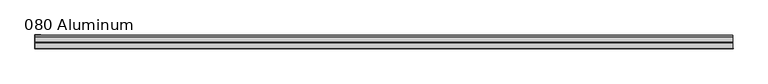
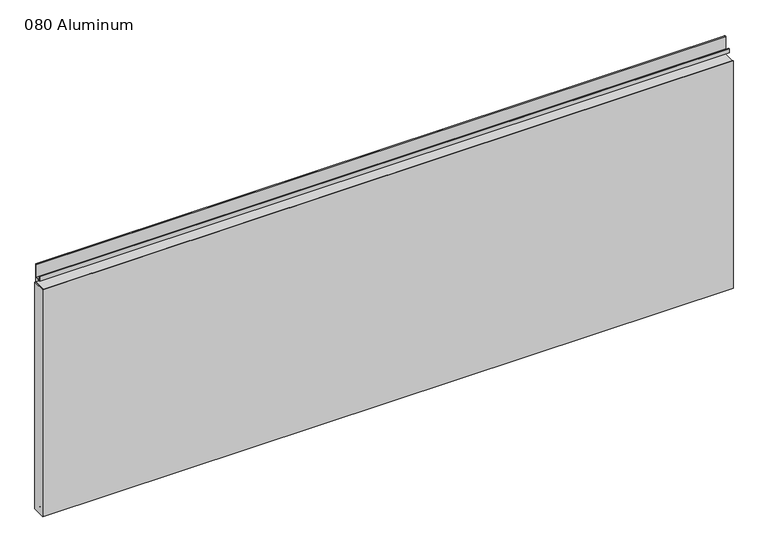
"""IFC4 building model written with IfcOpenShell, lengths in millimetres: plate geometry, 080 Aluminum."""

import ifcopenshell
import ifcopenshell.guid

model = None  # the IFC model being written
_history = None  # IfcOwnerHistory: only IFC2X3 demands one
_inside = {}  # id of a spatial element -> (the spatial element, [elements in it])
_under = {}  # id of a project, library or spatial element -> (it, [spatial elements below it])
_declared = {}  # id of a project -> (the project, [libraries it declares])
_typed = {}  # id of a type object -> (the type object, [elements of that type])
_made_of = {}  # id of a material, layer set ... -> (it, [elements and type objects made of it])


def new_model(schema):
    """Start an empty IFC model of exactly this schema.

    Asked for "IFC4X3", IfcOpenShell would pick the latest addendum, in which some entities
    have other attributes; the version numbers below select the first issue.
    IFC2X3 requires an IfcOwnerHistory on every rooted entity: one is made here for all.
    """
    global model, _history
    if schema == "IFC4X3":
        model = ifcopenshell.file(schema_version=(4, 3, 0, 0))
    else:
        model = ifcopenshell.file(schema=schema)
    _inside.clear()
    _under.clear()
    _declared.clear()
    _typed.clear()
    _made_of.clear()
    _history = None
    if model.schema == "IFC2X3":
        org = make("IfcOrganization", Name="unknown")
        user = make(
            "IfcPersonAndOrganization",
            ThePerson=make("IfcPerson", FamilyName="unknown"),
            TheOrganization=org,
        )
        app = make(
            "IfcApplication",
            ApplicationDeveloper=org,
            Version="unknown",
            ApplicationFullName="unknown",
            ApplicationIdentifier="unknown",
        )
        _history = make(
            "IfcOwnerHistory",
            OwningUser=user,
            OwningApplication=app,
            ChangeAction="ADDED",
            CreationDate=0,
        )
    return model


def make(cls, **values):
    """One entity of the class cls with the attributes given. An attribute that is None is left unset."""
    return model.create_entity(
        cls, **{name: value for name, value in values.items() if value is not None}
    )


def rooted(cls, **values):
    """An entity with a GlobalId (a new one), such as an element, a storey or a relation."""
    return make(cls, GlobalId=ifcopenshell.guid.new(), OwnerHistory=_history, **values)


def si_unit(unit_type, name, prefix=None):
    """IfcSIUnit, for example si_unit("LENGTHUNIT", "METRE", prefix="MILLI")."""
    return make("IfcSIUnit", UnitType=unit_type, Prefix=prefix, Name=name)


def assignment(units):
    """IfcUnitAssignment: the units of a project."""
    return None if units is None else make("IfcUnitAssignment", Units=units)


def point(xyz):
    """IfcCartesianPoint."""
    return None if xyz is None else make("IfcCartesianPoint", Coordinates=xyz)


def direction(xyz):
    """IfcDirection."""
    return None if xyz is None else make("IfcDirection", DirectionRatios=xyz)


def frame(location, z_axis=None, x_axis=None):
    """IfcAxis2Placement3D, a coordinate frame: its origin and axes. An axis left out is left unset."""
    return make(
        "IfcAxis2Placement3D",
        Location=point(location),
        Axis=direction(z_axis),
        RefDirection=direction(x_axis),
    )


def frame_2d(location, x_axis=None):
    """IfcAxis2Placement2D, a coordinate frame in the plane: its origin and x axis."""
    return make(
        "IfcAxis2Placement2D", Location=point(location), RefDirection=direction(x_axis)
    )


def origin():
    """The frame at (0, 0, 0) with its axes left unset."""
    return frame((0.0, 0.0, 0.0))


def origin_with_axes():
    """The frame at (0, 0, 0) with the z axis (0, 0, 1) and the x axis (1, 0, 0) written out."""
    return frame((0.0, 0.0, 0.0), z_axis=(0.0, 0.0, 1.0), x_axis=(1.0, 0.0, 0.0))


def place(relative_to, where):
    """IfcLocalPlacement: puts the frame where relative to a parent placement (None: the world)."""
    return make(
        "IfcLocalPlacement", PlacementRelTo=relative_to, RelativePlacement=where
    )


def context(
    kind, dimensions, precision=None, world=None, true_north=None, identifier=None
):
    """IfcGeometricRepresentationContext, for example the 3D "Model" context."""
    return make(
        "IfcGeometricRepresentationContext",
        ContextIdentifier=identifier,
        ContextType=kind,
        CoordinateSpaceDimension=dimensions,
        Precision=precision,
        WorldCoordinateSystem=world,
        TrueNorth=true_north,
    )


def project(units=None, contexts=None):
    """IfcProject with its units and contexts."""
    return rooted(
        "IfcProject",
        Name="project",
        RepresentationContexts=contexts,
        UnitsInContext=assignment(units),
    )


def spatial(cls, under=None, at=None, **own):
    """A site, building, storey or space (cls), placed at a placement, below another one or the project."""
    s = rooted(cls, ObjectPlacement=at, **own)
    if under is not None:
        _under.setdefault(under.id(), (under, []))[1].append(s)
    return s


def polyline(points):
    """IfcPolyline through the points."""
    return make("IfcPolyline", Points=[point(p) for p in points])


def circle_curve(where, radius):
    """IfcCircle in the frame where."""
    return make("IfcCircle", Position=where, Radius=radius)


def trimmed(basis, trim1, trim2, sense, master):
    """IfcTrimmedCurve: the piece of a basis curve between two trims."""
    return make(
        "IfcTrimmedCurve",
        BasisCurve=basis,
        Trim1=trim1,
        Trim2=trim2,
        SenseAgreement=sense,
        MasterRepresentation=master,
    )


def segment(curve, same_sense, transition):
    """IfcCompositeCurveSegment."""
    return make(
        "IfcCompositeCurveSegment",
        Transition=transition,
        SameSense=same_sense,
        ParentCurve=curve,
    )


def composite_curve(segments, self_intersect=None):
    """IfcCompositeCurve: segments joined end to end."""
    return make("IfcCompositeCurve", Segments=segments, SelfIntersect=self_intersect)


def outline(outer, holes=None, kind="AREA"):
    """IfcArbitraryClosedProfileDef: a profile drawn as a closed curve; with holes, ...WithVoids."""
    if holes is None:
        return make("IfcArbitraryClosedProfileDef", ProfileType=kind, OuterCurve=outer)
    return make(
        "IfcArbitraryProfileDefWithVoids",
        ProfileType=kind,
        OuterCurve=outer,
        InnerCurves=holes,
    )


def extrude(swept, where, along, depth):
    """IfcExtrudedAreaSolid: the profile swept, set in the frame where, extruded along a direction by depth."""
    return make(
        "IfcExtrudedAreaSolid",
        SweptArea=swept,
        Position=where,
        ExtrudedDirection=direction(along),
        Depth=depth,
    )


def shape(context_of_items, identifier, shape_type, items):
    """IfcShapeRepresentation: the items that make up one representation, for example the "Body"."""
    return make(
        "IfcShapeRepresentation",
        ContextOfItems=context_of_items,
        RepresentationIdentifier=identifier,
        RepresentationType=shape_type,
        Items=items,
    )


def source(mapping_origin, context_of_items, identifier, shape_type, items):
    """IfcRepresentationMap: a shape defined once, which mapped items show again and again."""
    return make(
        "IfcRepresentationMap",
        MappingOrigin=mapping_origin,
        MappedRepresentation=shape(context_of_items, identifier, shape_type, items),
    )


def transform(
    local_origin,
    x_axis=None,
    y_axis=None,
    z_axis=None,
    scale=None,
    scale2=None,
    scale3=None,
    uniform=True,
):
    """IfcCartesianTransformationOperator3D, or its non-uniform kind. x_axis, y_axis, z_axis: its Axis1, 2, 3."""
    if uniform:
        return make(
            "IfcCartesianTransformationOperator3D",
            Axis1=direction(x_axis),
            Axis2=direction(y_axis),
            LocalOrigin=point(local_origin),
            Scale=scale,
            Axis3=direction(z_axis),
        )
    return make(
        "IfcCartesianTransformationOperator3DnonUniform",
        Axis1=direction(x_axis),
        Axis2=direction(y_axis),
        LocalOrigin=point(local_origin),
        Scale=scale,
        Axis3=direction(z_axis),
        Scale2=scale2,
        Scale3=scale3,
    )


def mapped(mapping_source, mapping_target):
    """IfcMappedItem: shows the shape of a source again, moved by a transform."""
    return make(
        "IfcMappedItem", MappingSource=mapping_source, MappingTarget=mapping_target
    )


def made_of(thing, what):
    """Note that an element or type object is made of a material, layer set ...; save() writes the relation."""
    if what is not None:
        _made_of.setdefault(what.id(), (what, []))[1].append(thing)
    return thing


def element(
    cls,
    number,
    at=None,
    inside=None,
    cuts=None,
    type_object=None,
    material=None,
    context=None,
    identifier="Body",
    shape_type=None,
    held_by="IfcProductDefinitionShape",
    body=None,
    shapes=None,
    **own,
):
    """One element of the class cls, such as IfcWall. Its Tag is "e" and its number.

    at: its placement. inside: the storey or other place that contains it. cuts: it is an
    opening in that element (IfcRelVoidsElement). A single representation is given by context,
    identifier, shape_type and body (its items); several are given by shapes. held_by: the class
    of the entity that holds the representations. save() writes the other relations.
    """
    e = rooted(cls, Tag="e%d" % number, ObjectPlacement=at, **own)
    if body is not None:
        shapes = [shape(context, identifier, shape_type, body)]
    if shapes is not None:
        e.Representation = make(held_by, Representations=shapes)
    if inside is not None:
        _inside.setdefault(inside.id(), (inside, []))[1].append(e)
    if cuts is not None:
        rooted(
            "IfcRelVoidsElement", RelatingBuildingElement=cuts, RelatedOpeningElement=e
        )
    if type_object is not None:
        _typed.setdefault(type_object.id(), (type_object, []))[1].append(e)
    return made_of(e, material)


def aggregate(whole, parts):
    """IfcRelAggregates: a whole, such as a stair, and the parts it consists of."""
    return rooted("IfcRelAggregates", RelatingObject=whole, RelatedObjects=parts)


def save(model, path):
    """Write the relations noted so far, then the file.

    IfcRelAggregates (storeys below a building ...), IfcRelContainedInSpatialStructure (elements
    in a storey), IfcRelDefinesByType, IfcRelAssociatesMaterial and IfcRelDeclares: one each for
    every whole, place, type object, material and project.
    """
    for whole, parts in _under.values():
        aggregate(whole, parts)
    for where, things in _inside.values():
        rooted(
            "IfcRelContainedInSpatialStructure",
            RelatedElements=things,
            RelatingStructure=where,
        )
    for kind, things in _typed.values():
        rooted("IfcRelDefinesByType", RelatedObjects=things, RelatingType=kind)
    for what, things in _made_of.values():
        rooted("IfcRelAssociatesMaterial", RelatedObjects=things, RelatingMaterial=what)
    for by, libraries in _declared.values():
        rooted("IfcRelDeclares", RelatingContext=by, RelatedDefinitions=libraries)
    model.write(path)


def plate_080_aluminum_6d5dd634(model_context):
    return source(origin(), model_context, "Body", "SweptSolid", [
        extrude(outline(polyline([(-874.4282742, -2.5660257), (-874.4282742, -34.7980001), (-875.6982741, -34.7980001), (-875.6982741, -1.2699999), (-861.5377736, -1.2699999), (-861.5377736, -2.5660257), (-874.4282742, -2.5660257)])), origin_with_axes(), (0.0, 0.0, 1.0), 608.33),
        extrude(outline(composite_curve([segment(polyline([(-16.6765477, 13.1458337), (-16.6765477, 2.786437), (-17.9464915, 2.786437), (-17.9464915, 13.1323356)]), True, "CONTINUOUS"), segment(trimmed(circle_curve(frame_2d((-19.8514743, 13.124237)), 1.905), [point((-17.9464915, 13.1323356))], [point((-21.7564743, 13.124237))], True, "CARTESIAN"), True, "CONTINUOUS"), segment(polyline([(-21.7564743, 13.124237), (-21.7564743, 0.0), (-34.7980002, 0.0), (-34.7980002, 1.2693678), (-23.0264743, 1.2693678), (-23.0264743, 13.124237)]), True, "CONTINUOUS"), segment(trimmed(circle_curve(frame_2d((-19.8514743, 13.124237)), 3.175), [point((-23.0264743, 13.124237))], [point((-16.6765477, 13.1458337))], False, "CARTESIAN"), True, "CONTINUOUS")], self_intersect=False)), frame((-874.4282742, 0.0, 0.0), z_axis=(1.0, 0.0, 0.0), x_axis=(0.0, 1.0, 0.0)), (0.0, 0.0, 1.0), 1748.8565483),
        extrude(outline(composite_curve([segment(polyline([(-2.0574743, 656.7932001), (-2.0574743, 608.33), (-34.7980002, 608.33), (-34.7980002, 609.6000001), (-3.3274743, 609.6000001), (-3.3274743, 656.7932001)]), True, "CONTINUOUS"), segment(trimmed(circle_curve(frame_2d((-3.7084742, 656.7932001)), 0.3809999), [point((-3.3274743, 656.7932001))], [point((-4.0894742, 656.7932001))], True, "CARTESIAN"), True, "CONTINUOUS"), segment(polyline([(-4.0894742, 656.7932001), (-4.0894742, 622.3), (-20.4864742, 622.3), (-20.4864742, 633.6538), (-19.2164743, 633.6538), (-19.2164743, 623.57), (-5.3594742, 623.57), (-5.3594742, 656.7932001)]), True, "CONTINUOUS"), segment(trimmed(circle_curve(frame_2d((-3.7084742, 656.7932001)), 1.6509999), [point((-5.3594742, 656.7932001))], [point((-2.0574743, 656.7932001))], False, "CARTESIAN"), True, "CONTINUOUS")], self_intersect=False)), frame((-874.4282742, 0.0, 0.0), z_axis=(1.0, 0.0, 0.0), x_axis=(0.0, 1.0, 0.0)), (0.0, 0.0, 1.0), 1748.8565483),
        extrude(outline(polyline([(-875.6982742, -36.068), (-875.6982742, -34.7980001), (875.6982742, -34.7980001), (875.6982742, -36.068), (-875.6982742, -36.068)])), origin_with_axes(), (0.0, 0.0, 1.0), 609.6),
    ])


if __name__ == "__main__":
    model = new_model("IFC4")
    model_context = context("Model", 3, world=origin())
    ifc_project = project(units=[si_unit("LENGTHUNIT", "METRE", prefix="MILLI")], contexts=[model_context])
    site = spatial("IfcSite", under=ifc_project)
    building = spatial("IfcBuilding", under=site)
    placement = place(None, origin())
    plate_080_aluminum_shape = plate_080_aluminum_6d5dd634(model_context)
    element("IfcPlate", 1, ObjectType="080 Aluminum", at=placement, inside=building, context=model_context, shape_type="MappedRepresentation", body=[
        mapped(plate_080_aluminum_shape, transform((0.0, 0.0, 0.0), x_axis=(1.0, 0.0, 0.0), y_axis=(0.0, 1.0, 0.0), z_axis=(0.0, 0.0, 1.0))),
    ])
    save(model, "model.ifc")
